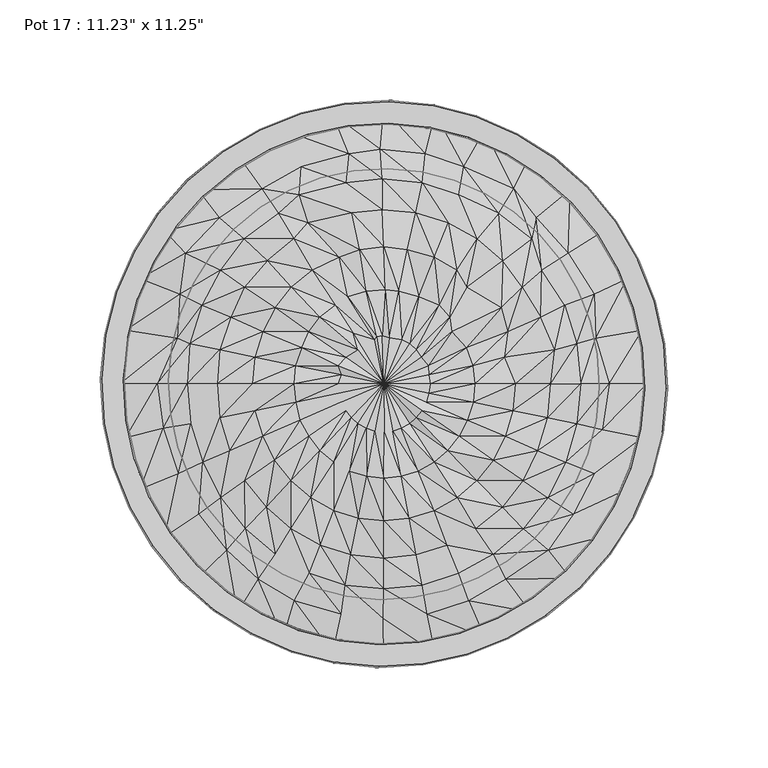
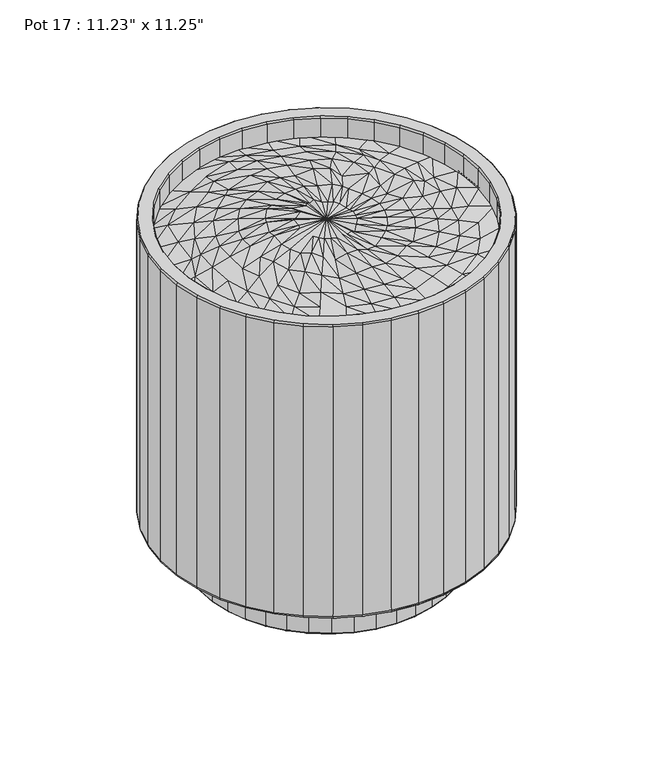
"""IFC4 building model written with IfcOpenShell, lengths in millimetres: furniture geometry."""

from ifc_helpers import new_model, si_unit, origin, place, context, project, spatial, triangles, source, transform, mapped, element, save


def furniture_1b6248bb(model_context):
    return source(origin(), model_context, "Body", "Tessellation", [
        triangles([(-51.0003572, -129.0409698, 281.8562333), (-50.016283, -126.5636046, 284.8939839), (-72.7103965, -113.9152215, 284.8939839), (-25.8934504, -136.9824, 281.8562333), (-74.1389975, -116.1447911, 281.8562333), (-25.3916982, -134.3524188, 284.8939839), (-44.5688957, -108.1888087, 289.591844), (-62.3691082, -97.3783585, 289.7388554), (0.2168417, -139.6638315, 281.8562333), (0.2168417, -136.982291, 284.8939839), (-21.1497537, -114.8458606, 289.4505554), (26.3270131, -136.9823546, 281.8562333), (25.8254994, -134.3523552, 284.8939839), (-0.1916885, -117.0936249, 289.3445117), (51.4339199, -129.0408971, 281.8562333), (50.4498503, -126.5635229, 284.8939839), (21.7645168, -114.8458152, 289.594987), (74.5726829, -116.1447003, 281.8562333), (42.4821362, -108.1887179, 291.3395389), (73.1439592, -113.9151125, 284.8939839), (-92.6016606, -96.893359, 284.8939839), (-94.4204358, -98.7894369, 281.8562333), (-77.9867187, -82.8299187, 289.4614014), (-36.9229325, -94.4617214, 292.933664), (-54.0356643, -85.024316, 292.7693753), (-19.0306902, -100.273249, 292.9381514), (0.2090931, -102.2355384, 293.007969), (19.3762769, -100.2732036, 292.9514681), (60.9048626, -97.3782676, 289.6422225), (37.3657947, -94.4616942, 294.4484334), (94.853994, -98.7893188, 281.8562333), (93.035464, -96.8931773, 284.8939839), (-108.9265362, -76.1521241, 284.8939839), (-111.0647959, -77.6419087, 281.8562333), (-92.1616529, -65.1025306, 289.4679235), (-68.8467016, -72.3236423, 290.6018477), (-31.4810272, -80.3494469, 294.3691323), (-46.2918283, -72.323606, 295.9199824), (-16.3515807, -85.2917416, 296.0094755), (0.123024, -86.9605986, 295.7776219), (16.19792, -85.2916961, 293.8714701), (82.1838372, -82.8298006, 291.5110037), (54.6219339, -85.0242252, 292.8858108), (111.4982361, -77.6417361, 281.8562333), (109.3600944, -76.1519606, 284.8939839), (-121.0566733, -52.4886475, 284.8939839), (-123.4327547, -53.5148249, 281.8562333), (-102.3072001, -44.8775387, 288.7408785), (-81.0947412, -56.8478246, 292.8887903), (-58.4852701, -61.5225574, 292.7301517), (-69.2472449, -48.3614285, 295.9067565), (69.5815086, -72.3235151, 292.4332948), (45.9704407, -72.3235151, 295.4514609), (31.8588021, -80.3494197, 295.1465195), (94.4701421, -65.1024125, 290.6835651), (81.8239481, -56.8476974, 292.9322106), (59.3987681, -61.5224757, 293.6654144), (123.8662039, -53.5146069, 281.8562333), (121.4903587, -52.4884749, 284.8939839), (-128.5265662, -26.8122192, 284.8939658), (-131.0486779, -27.3353159, 281.8562151), (-109.8076143, -22.2808416, 287.5346839), (-90.0393715, -39.1915349, 291.867341), (-76.6397715, -33.3460569, 297.1890183), (-46.1233838, -48.3614285, 299.6277503), (-54.4140342, -38.0207965, 298.2985436), (104.9965617, -44.8773661, 289.4525538), (90.8308021, -39.1914078, 292.9998118), (69.4885274, -48.3613377, 295.8370478), (131.4823633, -27.3351456, 281.8562333), (128.9601335, -26.8120012, 284.8939839), (-95.9609759, -20.0333748, 291.7437475), (-81.5178168, -17.0533956, 295.8753631), (109.0147485, -22.9319328, 289.6660037), (96.2232327, -20.0332408, 290.5855152), (76.8989308, -33.3459229, 295.9032865), (-131.0486779, -0.1096204, 284.8939658), (-133.6203778, -0.1096204, 281.8562151), (-112.7605409, -0.1095757, 289.4160735), (-97.6569661, -0.1095757, 292.8813961), (-82.7410252, -0.109531, 296.8645469), (112.3744271, -0.1094379, 291.4169688), (98.1608598, -0.1094379, 293.0944645), (81.8679317, -17.0532616, 293.4945309), (131.4823633, -0.1094379, 284.8939839), (134.053945, -0.1094379, 281.8562333), (-128.5268024, 26.5929762, 284.8939658), (-131.0486779, 27.1160774, 281.8562151), (-102.6634011, 22.7128646, 287.8697289), (-96.5543989, 19.8142157, 291.4130628), (-81.6389304, 16.8342922, 296.0480814), (105.7066928, 22.7130327, 289.1893613), (96.1981979, 19.814386, 290.9669962), (83.3040449, -0.1094379, 293.7478948), (128.9601335, 26.5931442, 284.8939839), (131.4823633, 27.1162886, 281.8562333), (-121.0567914, 52.2694158, 284.8939658), (-123.4327547, 53.2955478, 281.8562151), (-101.6032732, 44.6583479, 289.5823787), (-90.530993, 38.9724304, 292.5683338), (-76.0647067, 33.1269433, 293.2985036), (104.8769923, 44.6585205, 289.9620612), (90.3638611, 38.9725576, 292.9694358), (85.265753, 16.8344228, 297.2887397), (121.4903587, 52.2695884, 284.8939839), (123.8662039, 53.2957612, 281.8562333), (-81.347224, 56.6286837, 292.8522009), (-98.8223564, 64.8833942, 291.7021258), (-69.2940943, 48.1423603, 295.8619918), (91.954825, 64.8835169, 290.5466549), (78.7509707, 56.6288109, 293.7196262), (78.3681907, 33.1270704, 295.3554638), (109.3600944, 75.9331513, 284.8939839), (-108.9267724, 75.9329787, 284.8939658), (-111.0647959, 77.422727, 281.8562151), (-69.7076319, 72.1045877, 293.8687813), (-81.9069191, 82.6108187, 289.5459529), (-57.9296354, 61.3035028, 294.9510736), (76.0761522, 82.6109459, 288.7266897), (93.035464, 96.6743226, 284.8939658), (111.4982361, 77.4228905, 281.8562333), (-92.6018967, 96.6741954, 284.8939658), (-94.420672, 98.5703279, 281.8562151), (-60.6521391, 97.1593311, 289.5052395), (-52.4024973, 84.8052524, 293.6892501), (57.2900759, 84.8053886, 291.8208504), (73.7528792, 72.1046695, 290.929553), (64.772845, 97.1593675, 288.0947515), (37.4639037, 94.242794, 292.9295036), (46.6582758, 72.1046695, 297.0198426), (39.9067393, 107.9698813, 288.9878474), (59.4627858, 61.30363, 295.8488749), (69.1578381, 48.1424466, 295.6985025), (73.1438412, 113.6962396, 284.8939658), (94.853994, 98.570455, 281.8562151), (-72.7106327, 113.6961488, 284.8939658), (-74.1392383, 115.9257365, 281.8562151), (-41.1515216, 107.9698359, 289.5374868), (-42.2781698, 94.2427486, 294.2443216), (-18.929839, 100.0543125, 292.9384057), (-17.2220468, 114.6269241, 290.8037613), (-15.7116648, 85.0728051, 295.9806255), (-0.6562471, 86.7416531, 295.724155), (-0.5143881, 102.0166291, 293.2711252), (19.2319157, 100.0543579, 291.9745111), (20.7915316, 114.6269695, 287.8569935), (-1.5355349, 116.8747792, 290.0249026), (16.0777568, 85.0728051, 293.6895226), (32.3173997, 80.130565, 295.8578133), (50.4498503, 126.34465, 284.8939658), (74.5726829, 115.9258546, 281.8562151), (-50.0165237, 126.3445955, 284.8939658), (-51.000716, 128.8219515, 281.8562151), (-25.3919367, 134.1334733, 284.8939658), (0.2168417, 136.7634544, 284.8939658), (25.825261, 134.1335187, 284.8939658), (51.4339199, 128.8220242, 281.8562151), (-25.8936888, 136.7634272, 281.8562151), (0.2168417, 139.4449496, 281.8562151), (26.3270131, 136.7634544, 281.8562151), (-36.1628522, -56.8477428, 298.2759796), (-24.7985136, -63.153617, 295.5389374), (-12.6826765, -67.0367557, 298.2078515), (0.1736879, -68.3479175, 300.3720363), (12.896299, -67.0367557, 298.2839006), (25.2449503, -63.1535716, 298.3390027), (36.6109603, -56.8476974, 299.7362103), (-24.7724046, -39.1914532, 300.1561701), (-31.8483104, -33.3459683, 302.9291113), (-16.985297, -43.535038, 297.7654548), (-8.355975, -46.2097884, 301.918617), (0.1834631, -47.1129264, 302.8199973), (8.8040831, -46.2097884, 299.9129982), (17.4272055, -43.5350016, 297.8779661), (46.5185632, -48.3613377, 294.5247006), (25.2760644, -39.1914078, 300.0750159), (-60.1556305, -26.2232563, 300.5914996), (-37.3222836, -26.2232199, 300.0544866), (-41.6616194, -18.0969684, 300.2233716), (-12.791753, -20.033293, 301.1552915), (-16.0080198, -17.0532616, 301.2824095), (-8.6457727, -22.24762, 301.2471464), (-4.2676926, -23.611211, 301.2152261), (0.33319, -24.0715821, 302.8471214), (4.6379567, -23.6111655, 301.2629703), (8.8205338, -22.2475746, 301.4627945), (13.1397242, -20.0332408, 298.0372951), (31.997084, -33.3459229, 300.5531117), (54.6044114, -38.0207216, 298.3423455), (37.727832, -26.2231745, 298.6627293), (60.6733542, -26.2231745, 298.4352722), (-64.1556997, -13.4222174, 298.4105281), (-43.640255, -9.2794708, 300.0396801), (-21.3470459, -9.2793777, 301.3493385), (-22.3999023, -4.7842226, 301.2981789), (-18.8651083, -13.422172, 301.2742159), (0.0926256, -0.1094379, 302.6916621), (16.2980559, -17.0532616, 301.918617), (41.8308951, -18.0968866, 299.9660291), (19.4220544, -13.4221277, 304.5036155), (64.409377, -13.4221277, 295.8115407), (44.5863001, -9.2793403, 300.202915), (21.351338, -9.2793403, 301.2248912), (-65.2837741, -0.109531, 300.2407216), (-64.0583038, 13.2031549, 298.2911676), (-44.8259112, -0.10949, 302.6882648), (-43.9193259, 9.0604089, 300.1119504), (-22.7741004, -0.1094379, 302.0103629), (-21.1228136, 4.565291, 301.331171), (22.5448607, -4.7842226, 300.6749793), (45.548914, -0.1094379, 300.0401525), (23.161411, -0.1094379, 301.2411874), (65.7174594, -0.1094379, 298.32852), (-60.1172426, 26.0041926, 296.5075011), (-40.7000775, 17.8779399, 302.5214327), (-22.798538, 9.0604498, 304.0198696), (-18.8630814, 13.2032411, 301.6002861), (-12.8680463, 16.8343762, 303.2327265), (-37.244915, 26.0042335, 300.0720364), (-15.1194339, 25.0630868, 302.0105082), (-31.7651032, 33.1270296, 302.5976998), (22.2231144, 9.0604906, 299.1701111), (18.9231636, 13.2032411, 301.3645992), (22.6489309, 4.5653395, 299.9555464), (-3.316641, 23.3922677, 303.3521778), (-4.2880774, 22.0286767, 302.6549456), (2.8557776, 23.0123581, 304.6241386), (-0.5636215, 23.8527206, 302.3656282), (9.1356041, 22.0287199, 301.0857463), (16.2060262, 16.8343762, 301.9701582), (13.1328103, 19.8143452, 301.0350772), (32.9947475, 33.1270704, 300.2314925), (27.7568109, 38.9725576, 300.4356407), (34.0257892, 26.0042744, 301.8687291), (41.2020681, 17.8780262, 299.9233536), (44.3962817, 9.0604906, 300.0966352), (60.0764747, 13.2032411, 296.0733524), (61.8165711, 26.0042744, 294.8566934), (-53.9040544, 37.8017828, 298.2612276), (-23.9390139, 38.9725167, 299.6326374), (-46.0512634, 48.1424057, 298.2788319), (-17.922163, 43.3161106, 300.3343932), (-8.5911748, 45.9908973, 300.640461), (0.9390116, 46.8940308, 300.480478), (7.6857806, 45.9908973, 301.4597606), (17.6650282, 43.3161515, 300.0832458), (41.4162856, 48.1424875, 297.1871834), (36.6028553, 56.6288109, 301.3700313), (58.6652736, 37.8018691, 300.3473648), (-35.6162785, 56.62877, 297.7067193), (-22.0311884, 62.9346896, 296.9310944), (-11.8427274, 66.8178737, 299.694752), (0.1957417, 68.1290628, 298.4026434), (11.8035083, 66.8178737, 296.9686648), (25.3307826, 62.934735, 300.7746643), (-44.787764, 72.1045877, 295.8537982), (-37.6894464, 80.1305195, 293.4871912)], [[1, 2, 3], [1, 4, 2], [1, 3, 5], [2, 4, 6], [2, 6, 7], [2, 7, 8], [2, 8, 3], [4, 9, 6], [6, 9, 10], [6, 10, 11], [6, 11, 7], [9, 12, 10], [10, 13, 14], [10, 12, 13], [10, 14, 11], [13, 12, 15], [13, 16, 17], [13, 15, 16], [13, 17, 14], [16, 15, 18], [16, 19, 17], [16, 20, 19], [16, 18, 20], [5, 3, 21], [5, 21, 22], [3, 8, 23], [3, 23, 21], [7, 11, 24], [7, 24, 25], [7, 25, 8], [11, 14, 26], [11, 26, 24], [14, 17, 27], [14, 27, 26], [17, 19, 28], [17, 28, 27], [19, 20, 29], [19, 29, 30], [19, 30, 28], [20, 18, 31], [20, 32, 29], [20, 31, 32], [22, 21, 33], [22, 33, 34], [21, 23, 35], [21, 35, 33], [8, 36, 23], [8, 25, 36], [24, 26, 37], [24, 38, 25], [24, 37, 38], [26, 27, 39], [26, 39, 37], [27, 28, 40], [27, 40, 39], [28, 30, 41], [28, 41, 40], [29, 32, 42], [29, 43, 30], [29, 42, 43], [32, 31, 44], [32, 45, 42], [32, 44, 45], [34, 33, 46], [34, 46, 47], [33, 35, 48], [33, 48, 46], [23, 36, 49], [23, 49, 35], [36, 25, 50], [36, 50, 51], [36, 51, 49], [25, 38, 50], [43, 52, 53], [43, 42, 52], [43, 54, 30], [43, 53, 54], [52, 42, 55], [52, 56, 57], [52, 55, 56], [52, 57, 53], [42, 45, 55], [45, 44, 58], [45, 59, 55], [45, 58, 59], [47, 46, 60], [47, 60, 61], [46, 48, 62], [46, 62, 60], [35, 49, 63], [35, 63, 48], [49, 51, 64], [49, 64, 63], [50, 38, 65], [50, 66, 51], [50, 65, 66], [56, 55, 67], [56, 68, 69], [56, 67, 68], [56, 69, 57], [55, 59, 67], [59, 58, 70], [59, 71, 67], [59, 70, 71], [48, 63, 72], [48, 72, 62], [63, 64, 73], [63, 73, 72], [68, 67, 74], [68, 75, 76], [68, 74, 75], [68, 76, 69], [67, 71, 74], [61, 60, 77], [61, 77, 78], [60, 62, 79], [60, 79, 77], [62, 72, 80], [62, 80, 79], [72, 81, 80], [72, 73, 81], [75, 74, 82], [75, 83, 84], [75, 82, 83], [75, 84, 76], [74, 71, 85], [74, 85, 82], [71, 70, 86], [71, 86, 85], [78, 77, 87], [78, 87, 88], [77, 79, 89], [77, 89, 87], [79, 80, 90], [79, 90, 89], [80, 81, 91], [80, 91, 90], [83, 82, 92], [83, 93, 94], [83, 92, 93], [83, 94, 84], [82, 85, 95], [82, 95, 92], [85, 86, 96], [85, 96, 95], [88, 87, 97], [88, 97, 98], [87, 89, 99], [87, 99, 97], [89, 90, 100], [89, 100, 99], [90, 91, 101], [90, 101, 100], [93, 92, 102], [93, 103, 104], [93, 102, 103], [93, 104, 94], [92, 95, 105], [92, 105, 102], [95, 96, 106], [95, 106, 105], [99, 100, 107], [99, 108, 97], [99, 107, 108], [100, 101, 109], [100, 109, 107], [103, 102, 110], [103, 110, 111], [103, 112, 104], [103, 111, 112], [102, 105, 113], [102, 113, 110], [98, 97, 114], [98, 114, 115], [97, 108, 114], [108, 107, 116], [108, 117, 114], [108, 116, 117], [107, 109, 118], [107, 118, 116], [110, 119, 111], [110, 113, 120], [110, 120, 119], [105, 106, 121], [105, 121, 113], [115, 114, 122], [115, 122, 123], [114, 117, 122], [117, 124, 122], [117, 116, 125], [117, 125, 124], [126, 127, 128], [126, 129, 130], [126, 128, 131], [126, 131, 129], [126, 132, 127], [126, 130, 132], [127, 119, 128], [127, 133, 111], [127, 132, 133], [127, 111, 119], [119, 120, 134], [119, 134, 128], [113, 121, 135], [113, 135, 120], [123, 122, 136], [123, 136, 137], [122, 124, 136], [124, 138, 136], [124, 125, 139], [124, 139, 138], [140, 138, 139], [140, 141, 138], [140, 142, 143], [140, 143, 144], [140, 139, 142], [140, 144, 141], [145, 129, 146], [145, 147, 144], [145, 146, 147], [145, 148, 149], [145, 149, 129], [145, 144, 148], [129, 131, 146], [129, 149, 130], [128, 134, 150], [128, 150, 131], [120, 135, 151], [120, 151, 134], [137, 136, 152], [137, 152, 153], [136, 138, 152], [138, 141, 152], [141, 147, 154], [141, 154, 152], [141, 144, 147], [147, 146, 155], [147, 155, 154], [146, 131, 156], [146, 156, 155], [131, 150, 156], [134, 151, 157], [134, 157, 150], [153, 152, 154], [153, 154, 158], [158, 154, 155], [158, 155, 159], [159, 155, 156], [159, 156, 160], [156, 150, 160], [160, 150, 157], [30, 54, 41], [38, 37, 161], [38, 161, 65], [37, 39, 162], [37, 162, 161], [39, 40, 163], [39, 163, 162], [40, 41, 164], [40, 164, 163], [41, 54, 165], [41, 165, 164], [54, 53, 166], [54, 166, 165], [53, 167, 166], [53, 57, 167], [161, 162, 168], [161, 168, 169], [161, 169, 65], [162, 163, 170], [162, 170, 168], [163, 164, 171], [163, 171, 170], [164, 165, 172], [164, 172, 171], [165, 166, 173], [165, 173, 172], [166, 167, 174], [166, 174, 173], [167, 57, 175], [167, 176, 174], [167, 175, 176], [57, 69, 175], [51, 66, 177], [51, 177, 64], [66, 65, 178], [66, 179, 177], [66, 178, 179], [65, 169, 178], [168, 170, 180], [168, 180, 181], [168, 181, 169], [170, 171, 182], [170, 182, 180], [171, 172, 183], [171, 183, 182], [172, 173, 184], [172, 184, 183], [173, 174, 185], [173, 185, 184], [174, 176, 186], [174, 186, 185], [176, 187, 186], [176, 175, 188], [176, 188, 187], [175, 189, 188], [175, 69, 189], [189, 69, 76], [189, 190, 188], [189, 191, 190], [189, 76, 191], [64, 177, 192], [64, 192, 73], [177, 179, 193], [177, 193, 192], [179, 178, 194], [179, 195, 193], [179, 194, 195], [178, 169, 196], [178, 196, 194], [169, 181, 196], [180, 182, 197], [180, 197, 181], [182, 183, 197], [183, 184, 197], [184, 185, 197], [185, 186, 197], [186, 187, 197], [187, 188, 198], [187, 198, 197], [188, 190, 198], [190, 199, 200], [190, 191, 199], [190, 200, 198], [199, 191, 201], [199, 202, 203], [199, 201, 202], [199, 203, 200], [191, 76, 84], [191, 84, 201], [81, 73, 204], [81, 204, 205], [81, 205, 91], [73, 192, 204], [204, 192, 206], [204, 206, 207], [204, 207, 205], [192, 193, 206], [206, 193, 208], [206, 208, 209], [206, 209, 207], [193, 195, 208], [195, 194, 197], [195, 197, 208], [194, 196, 197], [196, 181, 197], [198, 200, 197], [200, 203, 197], [203, 210, 197], [203, 202, 210], [210, 202, 211], [210, 212, 197], [210, 211, 212], [202, 201, 213], [202, 213, 211], [201, 84, 94], [201, 94, 213], [91, 205, 214], [91, 214, 101], [205, 207, 215], [205, 215, 214], [207, 216, 215], [207, 209, 216], [216, 209, 197], [216, 217, 215], [216, 197, 217], [208, 197, 209], [217, 218, 219], [217, 197, 218], [217, 219, 215], [218, 197, 220], [218, 221, 219], [218, 220, 221], [197, 222, 223], [197, 224, 222], [197, 212, 224], [197, 225, 226], [197, 227, 228], [197, 229, 227], [197, 230, 231], [197, 223, 230], [197, 226, 220], [197, 228, 225], [197, 231, 229], [230, 223, 232], [230, 232, 233], [230, 233, 231], [223, 222, 234], [223, 234, 232], [222, 224, 235], [222, 235, 234], [224, 212, 236], [224, 236, 235], [212, 211, 236], [236, 211, 237], [236, 237, 238], [236, 238, 235], [211, 213, 237], [237, 213, 104], [237, 104, 112], [237, 112, 238], [213, 94, 104], [101, 214, 239], [101, 239, 109], [214, 215, 219], [214, 219, 239], [219, 221, 239], [221, 220, 240], [221, 241, 239], [221, 240, 241], [220, 226, 240], [226, 225, 242], [226, 242, 240], [225, 228, 243], [225, 243, 242], [228, 244, 243], [228, 227, 244], [227, 229, 245], [227, 245, 244], [229, 231, 246], [229, 246, 245], [231, 233, 246], [232, 247, 248], [232, 234, 247], [232, 248, 233], [234, 235, 249], [234, 249, 247], [235, 238, 249], [238, 112, 133], [238, 133, 249], [112, 111, 133], [109, 239, 241], [109, 241, 118], [241, 240, 250], [241, 250, 118], [240, 242, 250], [242, 243, 251], [242, 251, 250], [243, 244, 252], [243, 252, 251], [244, 245, 253], [244, 253, 252], [245, 246, 254], [245, 254, 253], [246, 233, 255], [246, 255, 254], [233, 248, 255], [247, 249, 132], [247, 132, 130], [247, 130, 248], [249, 133, 132], [118, 250, 256], [118, 256, 116], [250, 251, 256], [251, 252, 257], [251, 257, 256], [252, 253, 142], [252, 142, 257], [253, 254, 143], [253, 143, 142], [254, 255, 148], [254, 148, 143], [255, 248, 149], [255, 149, 148], [248, 130, 149], [116, 256, 125], [125, 256, 257], [125, 257, 139], [257, 142, 139], [143, 148, 144]], closed=False),
        triangles([(78.04966, 103.1655779, 253.949888), (78.04966, 103.1655779, 303.2478418), (60.9356156, 114.0699178, 253.9500515), (-56.466339, 116.1261513, 253.949888), (-37.5853784, 123.562407, 253.949888), (-37.5856169, 123.5624434, 303.2478418), (-56.466339, 116.1261967, 303.2478418), (-17.7735086, 127.9532636, 253.9498517), (-17.7735086, 127.9533181, 303.2477147), (42.326568, 122.1626832, 253.949888), (60.9356156, 114.0699178, 303.2479872), (42.326568, 122.1626832, 303.247751), (22.6805219, 127.2446496, 253.9498517), (2.4814605, 129.1909243, 253.9498517), (2.4814605, 129.1909243, 303.2477147), (22.6805219, 127.244695, 303.2477147), (-66.1197922, -124.8521085, 303.2248055), (-45.7888839, -133.6936836, 303.2249145), (-65.8478748, -124.340757, 304.9219039), (-84.4688448, -112.476483, 304.9219402), (-84.8170521, -112.9389821, 303.2249145), (-45.6004143, -133.1460154, 304.9218676), (-24.3256091, -139.2458338, 303.2248055), (-24.2246387, -138.6755107, 304.9219039), (-22.359014, -128.0969231, 304.9220492), (-42.1026945, -122.989595, 304.9219039), (-2.2577048, -141.3721121, 303.22486), (-2.2474528, -140.7930686, 304.9219039), (-2.0592212, -130.0528539, 304.9219402), (-22.2471954, -127.4633408, 303.2478418), (-41.8932459, -122.3813018, 303.2477147), (-2.0481348, -129.4095247, 303.247751), (19.8711163, -140.0199235, 303.2248055), (19.7906502, -139.4464211, 304.9218676), (18.2961227, -128.8090344, 304.9219766), (18.2068352, -128.1718731, 303.2477147), (38.2068158, -124.3962315, 304.9218676), (38.0185846, -123.780962, 303.2477147), (41.516066, -135.2227509, 303.2247691), (41.3467904, -134.6689148, 304.9219766), (61.8902448, -126.5780932, 304.9219766), (57.181834, -116.9230775, 304.9219039), (62.1440402, -127.0986919, 303.2248055), (81.2472119, -115.8475709, 303.2249145), (80.9149738, -115.3731631, 304.9219402), (74.7542398, -106.5736093, 304.9219039), (-101.0038821, -97.8453721, 304.9219402), (-101.4205173, -98.247664, 303.2248055), (-60.8042464, -114.8564976, 304.9219402), (-78.0035236, -103.8980186, 304.9219402), (-60.5024117, -114.2884818, 303.2478418), (-77.616338, -103.3842691, 303.2478418), (56.9000243, -116.3448425, 303.2477147), (74.3851671, -106.0465884, 303.247751), (98.3550521, -101.7467237, 303.2247691), (97.9526057, -101.330134, 304.9220492), (90.4911789, -93.6025715, 304.9218312), (-115.04722, -80.8076584, 304.9219402), (-115.5217913, -81.1398148, 303.2248055), (-93.2766194, -90.3838908, 304.9220492), (-92.8137297, -89.9370158, 303.2478418), (90.0443766, -93.139809, 303.2477147), (104.0054521, -78.3294939, 304.9219039), (103.491421, -77.9422719, 303.2478418), (113.0462884, -85.1432223, 303.22486), (112.5836349, -84.7946516, 304.9219766), (-126.2520593, -61.7829203, 304.9219402), (-126.7726398, -62.0367248, 303.2249145), (-106.2476663, -74.6468971, 304.9219039), (-105.7207544, -74.2779153, 303.2477147), (114.9638857, -61.1302939, 304.9220492), (114.3957336, -60.8282321, 303.2478418), (124.9594693, -66.4458261, 303.2247691), (124.4480633, -66.1739268, 304.9220492), (-134.3429081, -41.2394841, 304.9220492), (-134.8969895, -41.4087688, 303.2249145), (-116.5971799, -57.0745231, 304.9220492), (-116.0188904, -56.7925409, 303.247751), (123.0969467, -42.4286148, 304.9218676), (122.4886172, -42.2191481, 303.2479327), (133.8008627, -46.115054, 303.2247509), (133.2533398, -45.9264754, 304.9219402), (-123.45481, -37.9114305, 303.247751), (-124.0704065, -38.0995049, 304.9219402), (128.2042294, -22.6848867, 304.9220492), (127.5706289, -22.5731203, 303.2477147), (138.7829805, -24.5508179, 304.9219039), (139.3531583, -24.651475, 303.2248055), (-139.1204599, -19.683362, 304.9219039), (-139.6938533, -19.7639008, 303.22486), (-127.8460027, -18.0995311, 303.2478418), (-128.482937, -18.1889981, 304.9219402), (-140.4668076, 2.3547299, 304.9219039), (-141.046169, 2.3648926, 303.2247691), (-129.0837542, 2.1554232, 303.2478418), (-129.7268836, 2.1666103, 304.9219039), (130.1599785, -2.3852588, 304.9219402), (129.5168401, -2.3740269, 303.247751), (141.479373, -2.5835411, 303.2247691), (140.9002568, -2.5734232, 304.9220492), (-138.3495313, 24.3321744, 304.9219039), (-138.9198272, 24.4327474, 303.2247691), (-127.137425, 22.3545176, 303.2478418), (-127.7711436, 22.4662341, 304.9219039), (128.9163862, 17.9703534, 304.9219402), (128.2792067, 17.880883, 303.2478418), (140.1273025, 19.5452936, 303.2248055), (139.5536638, 19.4647094, 304.9219402), (-132.8201268, 45.707816, 304.9218676), (-133.3676588, 45.8964536, 303.2247691), (-122.0552952, 42.0004932, 303.2477147), (-122.6637337, 42.2100144, 304.9220492), (124.5034924, 37.8808569, 304.9219039), (123.8883773, 37.6928233, 303.2479872), (135.3300844, 41.1902047, 303.2247691), (134.7762302, 41.0208791, 304.9220492), (117.0305019, 56.8558365, 304.9219039), (116.4520943, 56.5738951, 303.2477147), (127.205971, 61.8181471, 303.2247691), (126.6854995, 61.56422, 304.9219039), (-124.0147322, 65.9552583, 304.9218676), (-124.5262653, 66.2271667, 303.2247691), (-114.5306818, 60.9117208, 304.9218676), (-113.9626478, 60.6095772, 303.2477147), (106.6808702, 74.428274, 304.9219402), (106.1539674, 74.0593013, 303.2477147), (-112.1503129, 84.5759695, 304.9218676), (-112.6130844, 84.9246128, 303.2249145), (-103.5721301, 78.1108845, 304.9218676), (-103.0583352, 77.7236715, 303.247751), (93.7099414, 90.165245, 304.9219039), (93.2471789, 89.71837, 303.2476602), (115.480424, 80.589049, 304.9219402), (115.9548772, 80.9212144, 303.2248055), (-97.5195199, 101.1115336, 304.9218676), (-97.9217301, 101.5281142, 303.2249145), (-89.6110546, 92.9211269, 303.2477147), (-90.0578478, 93.3840165, 304.9218676), (78.4368547, 103.6794183, 304.9219402), (101.4374494, 97.6267445, 304.9219039), (101.8542026, 98.0290727, 303.2248055), (-80.4814065, 115.1545536, 304.9219039), (-80.8138808, 115.6290977, 303.2249145), (-73.9519586, 105.8279881, 303.2478418), (-74.3207951, 106.3549635, 304.9219402), (-56.7485074, 116.7044226, 304.9218676), (-61.4570363, 126.3594928, 304.9219039), (61.2378137, 114.6379427, 304.9220492), (84.9019307, 112.2578736, 304.9219766), (85.2505013, 112.720418, 303.2247146), (-61.7107136, 126.8800188, 303.2249145), (-37.7734892, 124.177622, 304.9219039), (-40.9134638, 134.450378, 304.9219402), (-17.8630358, 128.5904068, 304.9218312), (-19.357444, 139.2279116, 304.9218676), (42.5361391, 122.7709855, 304.9219039), (22.7920999, 127.8783046, 304.9218676), (66.2813195, 124.1221476, 304.9219039), (46.0338589, 132.9273695, 304.9219402), (46.2225693, 133.4749742, 303.2249508), (66.5531143, 124.6334626, 303.2247146), (-41.0827394, 135.0042413, 303.2249145), (-19.4380282, 139.8014412, 303.2248055), (2.6807786, 140.5744228, 304.9219039), (2.6910305, 141.1536025, 303.2249145), (2.4929046, 129.8342353, 304.9218676), (24.6582037, 138.4569376, 304.9219402), (24.7588153, 139.0272697, 303.2248055), (-50.1962911, -94.908551, 1.1028312), (-34.4460011, -100.7576853, 0.0003416), (-34.7454537, -101.6277357, 1.1028741), (-49.7642771, -94.0960643, 0.0002989), (-64.4055619, -85.8551247, 1.102746), (-34.7454537, -101.6277357, 37.3019769), (-50.1962911, -94.908551, 37.3019314), (-18.2744262, -104.9409782, 0.0003844), (15.0251389, -105.5242457, 0.0004271), (-63.8517121, -85.1202495, 0.0002135), (-76.3614182, -74.0511577, 0.0002135), (-95.4626778, -46.7682845, 0.0001281), (-18.4344058, -105.8472274, 1.1028741), (-18.4344058, -105.847182, 37.3019769), (-1.6635656, -107.4630354, 1.1028741), (-1.6635656, -107.46299, 37.3019769), (-1.6475916, -106.5429426, 0.0003844), (15.1531698, -106.4354909, 1.1029167), (15.1531698, -106.4354909, 37.3020177), (31.3334458, -101.9098497, 0.0002562), (46.8753592, -95.7887026, 0.0002562), (74.1583096, -76.6874975, 0.0002562), (105.0481755, -18.6005532, 0.0002135), (31.6023815, -102.7898832, 1.1027886), (31.6023815, -102.7898468, 37.3018497), (47.2787639, -96.6158505, 1.1027886), (47.2787639, -96.6158505, 37.3018497), (61.2686894, -87.3117309, 0.0002989), (61.7963098, -88.0655185, 1.1028312), (61.7963098, -88.0655185, 37.3018906), (-77.0232692, -74.6903174, 1.102746), (-64.4055619, -85.8551247, 37.3018497), (74.7975102, -77.3494847, 1.1027886), (74.7975102, -77.3494847, 37.3018497), (94.2032343, -50.0902747, 0.0002562), (85.2273741, -64.1776824, 0.0002135), (85.9622947, -64.7315367, 1.102746), (85.9622947, -64.7315367, 37.3018497), (-87.7395845, -61.6891443, 1.1027032), (-96.2896349, -47.1716392, 1.1026605), (-86.9857061, -61.1613831, 0.0001708), (-77.0232692, -74.6903174, 37.3018043), (-87.7395845, -61.6891034, 37.3017634), (95.0157665, -50.5223704, 1.1027886), (95.0157665, -50.5223204, 37.3018906), (-96.2896349, -47.1715938, 37.3017634), (-102.463604, -31.4952433, 1.1026177), (-101.5835978, -31.2262394, 8.54e-05), (-105.1981482, -14.9181335, 0.0002135), (-104.6149716, 18.3816065, 0.0001708), (-73.7251056, 76.4685883, 0.0001281), (50.1974811, 93.8771823, 4.27e-05), (100.8647645, -34.7721803, 0.0002135), (101.7349966, -35.0718055, 1.102746), (101.7349966, -35.0718055, 37.3018497), (-106.1093844, -15.0461235, 1.102746), (-102.463604, -31.4952433, 37.3017225), (105.9544066, -18.7603976, 1.102746), (105.9544066, -18.7603976, 37.3018497), (-107.1370833, 1.7708131, 1.1026605), (-106.1093844, -15.0461235, 37.3018043), (-106.2166725, 1.7547161, 0.0001708), (106.6501127, -1.9736625, 0.0001281), (105.6314703, 14.6991834, 0.0001708), (95.8960089, 46.5493344, 0.0002135), (107.5701691, -1.9897632, 1.1026605), (107.5701691, -1.9897632, 37.3017225), (-107.1370833, 1.7708131, 37.3017634), (-105.5209665, 18.5414566, 1.1027032), (106.5427064, 14.8272143, 1.1027032), (106.5427064, 14.8272143, 37.3018043), (-101.3015474, 34.8528962, 1.1026605), (-105.5209665, 18.5414963, 37.3018043), (-100.4315605, 34.5532756, 0.0001281), (-93.7700304, 49.87132, 8.54e-05), (102.0171651, 31.0073801, 8.54e-05), (102.8970441, 31.2763817, 1.1026177), (102.8970441, 31.2763817, 37.3017225), (-101.3015474, 34.8528962, 37.3017634), (-94.5824354, 50.3033794, 1.1025751), (96.7230841, 46.9526482, 1.102746), (96.7230841, 46.9526482, 37.3018043), (-85.5289727, 64.5125729, 1.1026605), (-94.5824354, 50.3034203, 37.3016748), (-84.7941611, 63.9587278, 0.0001281), (87.4189101, 60.9424647, 8.54e-05), (76.7948583, 73.8322348, 0.0001708), (88.1727975, 61.4702623, 1.1026177), (88.1727975, 61.4702623, 37.3017225), (-85.5289727, 64.5125729, 37.3017225), (-74.3641836, 77.1305755, 1.1026605), (64.2848025, 84.9013312, 4.27e-05), (77.4567093, 74.4714127, 1.1027032), (64.8387658, 85.6362154, 1.1025751), (64.8387658, 85.6362154, 37.3016339), (77.4567093, 74.4714127, 37.3018043), (-74.3641836, 77.1305755, 37.3017634), (-61.3629832, 87.8466183, 1.1025751), (-60.8351221, 87.0927763, 4.27e-05), (-46.4420326, 95.5698206, 8.54e-05), (-14.592052, 105.3053546, 0.0001281), (-61.3629832, 87.8466183, 37.3016339), (-46.8455554, 96.3969049, 1.1026177), (50.6296177, 94.6896508, 1.1025324), (50.6296177, 94.6896508, 37.3016339), (-31.1690572, 102.5709921, 1.1025324), (-46.8455554, 96.3969049, 37.3017225), (-30.9001215, 101.6909586, 4.27e-05), (-14.7199636, 106.216609, 1.1026605), (-31.1690572, 102.5709921, 37.3016339), (2.0968914, 107.2441443, 1.1025751), (-14.7199636, 106.216609, 37.3017634), (2.0807981, 106.3240515, 4.27e-05), (18.7077528, 104.7220781, 0.0), (18.867612, 105.6282909, 1.1025324), (2.0968914, 107.2441443, 37.3016339), (35.179139, 101.4088356, 1.1025751), (34.8795661, 100.5387578, 4.27e-05), (18.867612, 105.6282909, 37.3016339), (35.179139, 101.4087901, 37.3016339), (-66.1197922, -124.852272, 40.1015448), (-45.7888839, -133.6938017, 40.1013767), (-84.8170521, -112.939191, 40.101463), (-84.4688448, -112.4766465, 38.4043828), (-65.8478748, -124.3409205, 38.4044236), (-45.6004143, -133.146197, 38.4044691), (-24.3256091, -139.2460609, 40.1015448), (-24.2246387, -138.6756742, 38.4044691), (-50.6268744, -95.7185034, 38.4044691), (-35.044552, -102.4951337, 38.4044691), (-2.2577048, -141.3722756, 40.1015039), (-18.5934304, -106.7506243, 38.4044691), (-2.2474528, -140.7931412, 38.4044691), (19.8711163, -140.0201325, 40.1015448), (-1.6796589, -108.3802396, 38.4044691), (19.7906502, -139.4466028, 38.4045508), (15.280843, -107.3439293, 38.4045508), (41.3465497, -134.6691237, 38.4043828), (41.516066, -135.2229689, 40.1015902), (31.8706042, -103.667137, 38.4043828), (61.8902448, -126.5782749, 38.4043828), (62.1439221, -127.09881, 40.1015902), (47.6807333, -97.4403641, 38.4043828), (80.9149738, -115.3733266, 38.4044236), (81.2472119, -115.8477798, 40.1014176), (-101.4205173, -98.2478276, 40.1013767), (-101.0038821, -97.8455084, 38.4042919), (-77.6832125, -75.3275741, 38.4043373), (-64.9577402, -86.587738, 38.4043828), (62.3223769, -88.8170169, 38.4044236), (97.9526057, -101.3302975, 38.4043828), (98.3550521, -101.7468872, 40.1015902), (-115.5217913, -81.1399964, 40.1014176), (-115.04722, -80.8078219, 38.4042511), (-88.491083, -62.2152749, 38.4042919), (75.4348032, -78.0094099, 38.4043828), (112.583753, -84.7947879, 38.4043373), (113.0462884, -85.1433404, 40.101463), (-126.7726398, -62.0368883, 40.1012905), (-126.2520593, -61.7830521, 38.4042511), (-97.1143212, -47.5737177, 38.4042511), (86.6949535, -65.2836878, 38.4043828), (124.4480633, -66.1740903, 38.4043828), (124.9595874, -66.4459987, 40.1015902), (-134.8967533, -41.4089414, 40.1013359), (-134.3429081, -41.2396112, 38.4042102), (-103.340867, -31.7633887, 38.4042102), (95.8256734, -50.9530536, 38.4043828), (133.2532127, -45.9266389, 38.4043828), (133.8009808, -46.1151812, 40.1015902), (102.6022402, -35.3705291, 38.4043828), (138.7827353, -24.5509973, 38.4043373), (139.3531583, -24.6516089, 40.1014176), (-139.6938533, -19.7640734, 40.1013359), (-139.1204599, -19.6835324, 38.4042919), (-107.0179954, -15.1737263, 38.4043373), (106.8577762, -18.9197356, 38.4043373), (-141.046169, 2.3647211, 40.1014176), (-140.4668076, 2.3545549, 38.4042919), (-108.0541603, 1.786869, 38.4043373), (108.4873642, -2.005864, 38.4042511), (140.9003749, -2.5735907, 38.4042102), (141.479373, -2.5837123, 40.1014176), (-138.9198272, 24.4326179, 40.1013767), (-138.3495313, 24.3320472, 38.4043373), (-106.4245723, 18.7008344, 38.4043373), (107.4511993, 14.9548182, 38.4043373), (139.5536638, 19.4645823, 38.4042919), (140.1273025, 19.5451256, 40.1013767), (-133.3676588, 45.896281, 40.1012496), (-132.8201268, 45.7076479, 38.4042102), (-102.1688001, 35.1516221, 38.4042511), (103.7743071, 31.5445294, 38.4042102), (134.7763573, 41.0207065, 38.4042102), (135.3300844, 41.1900321, 40.1013767), (-95.3923423, 50.7341489, 38.4042102), (97.5476523, 47.354763, 38.4043373), (126.6853814, 61.5640474, 38.4042919), (127.205971, 61.8179745, 40.101463), (-124.5262653, 66.2269986, 40.1012496), (-124.0147322, 65.9550857, 38.4042102), (-86.2617496, 65.0647149, 38.4042511), (88.9242869, 61.996402, 38.4042102), (115.4806601, 80.5889218, 38.4042102), (-112.6130844, 84.9244039, 40.1012042), (-112.1503129, 84.5757969, 38.4042511), (-75.0014767, 77.7905007, 38.4042511), (78.1166526, 75.1086785, 38.4043373), (101.4374494, 97.6265628, 38.4043373), (115.9549953, 80.9210418, 40.1013767), (-97.9217301, 101.5278962, 40.1011224), (-97.5190385, 101.1113065, 38.4042102), (-61.8888141, 88.5981168, 38.4041648), (-80.4814065, 115.1543447, 38.4041239), (-47.2475294, 97.221464, 38.4042102), (65.3909441, 86.3688288, 38.4041648), (51.060319, 95.4996214, 38.4041239), (66.2813195, 124.1219386, 38.4041239), (84.9019307, 112.257701, 38.4041239), (101.8542026, 98.0288638, 40.1013767), (-80.8138808, 115.6289251, 40.1011224), (-61.4568002, 126.3592839, 38.4041648), (-31.4372776, 103.4482914, 38.4041239), (-14.8475165, 107.1250473, 38.4042511), (-40.9134638, 134.4502145, 38.4041239), (2.1129846, 108.1614212, 38.4041648), (-19.357444, 139.2276845, 38.4042102), (19.0269943, 106.5317333, 38.4041239), (35.4777582, 102.2761881, 38.4041648), (2.6807786, 140.5742956, 38.4041239), (24.6582037, 138.4567286, 38.4041239), (46.0338589, 132.9272424, 38.4041648), (85.2505013, 112.7202545, 40.1013359), (-61.7107136, 126.8799007, 40.1011633), (46.2225693, 133.4748289, 40.1011224), (66.5531143, 124.6332901, 40.1013767), (-41.0827394, 135.0040142, 40.1011224), (-19.4380282, 139.8012323, 40.1012496), (2.6910305, 141.1533845, 40.1011224), (24.7588153, 139.0271153, 40.1012042), (-22.2471954, -127.4634044, 253.9499425), (-41.8932459, -122.381329, 253.9498517), (-2.0481348, -129.4095792, 253.949888), (18.2068352, -128.1719185, 253.9497972), (38.0185846, -123.780962, 253.9498517), (-60.5024117, -114.2884818, 253.949888), (-77.616338, -103.3842691, 253.9499425), (56.8997882, -116.3448425, 253.9497972), (74.3851671, -106.0465884, 253.949888), (-92.8139659, -89.9370158, 253.949888), (90.0443766, -93.139809, 253.9498517), (103.491421, -77.9423173, 253.9499425), (-105.7207544, -74.2779153, 253.9498517), (114.3957336, -60.8282775, 253.9499425), (-116.0188904, -56.7925409, 253.949888), (122.4886172, -42.2191481, 253.9500515), (-123.45481, -37.9114305, 253.949888), (127.5706289, -22.5731657, 253.9497608), (-127.8460027, -18.0995765, 253.9499425), (-129.0837542, 2.1554232, 253.949888), (129.5168401, -2.3740269, 253.949888), (-127.137425, 22.3544744, 253.949888), (128.2792067, 17.880883, 253.949888), (-122.0552952, 42.0004932, 253.9498517), (123.8883773, 37.6928233, 253.9500515), (116.4520943, 56.5738542, 253.949888), (-113.9626478, 60.6095363, 253.949888), (106.1538493, 74.0592559, 253.9498517), (-103.0583352, 77.7236261, 253.949888), (93.2471789, 89.71837, 253.9497608), (-89.6110546, 92.9211269, 253.949888), (-73.9519586, 105.8279335, 253.949888)], [[1, 2, 3], [4, 5, 6], [4, 6, 7], [5, 8, 9], [5, 9, 6], [10, 3, 11], [10, 12, 13], [10, 11, 12], [3, 2, 11], [8, 14, 15], [8, 15, 9], [14, 13, 16], [14, 16, 15], [13, 12, 16], [17, 18, 19], [17, 20, 21], [17, 19, 20], [18, 22, 19], [18, 23, 22], [22, 24, 25], [22, 25, 26], [22, 26, 19], [22, 23, 24], [23, 27, 24], [24, 27, 28], [24, 28, 29], [24, 29, 25], [25, 29, 30], [25, 30, 31], [25, 31, 26], [30, 29, 32], [27, 33, 28], [28, 33, 34], [28, 35, 29], [28, 34, 35], [29, 35, 32], [32, 35, 36], [36, 35, 37], [36, 37, 38], [35, 34, 37], [34, 39, 40], [34, 40, 37], [34, 33, 39], [40, 41, 42], [40, 42, 37], [40, 39, 43], [40, 43, 41], [41, 43, 44], [41, 45, 46], [41, 46, 42], [41, 44, 45], [21, 20, 47], [21, 47, 48], [20, 19, 49], [20, 49, 50], [20, 50, 47], [19, 26, 49], [49, 51, 52], [49, 26, 51], [49, 52, 50], [51, 26, 31], [38, 37, 42], [38, 42, 53], [53, 42, 46], [53, 46, 54], [45, 44, 55], [45, 55, 56], [45, 57, 46], [45, 56, 57], [48, 47, 58], [48, 58, 59], [47, 50, 60], [47, 60, 58], [50, 52, 61], [50, 61, 60], [54, 46, 57], [54, 57, 62], [62, 57, 63], [62, 63, 64], [57, 56, 63], [56, 55, 65], [56, 65, 66], [56, 66, 63], [59, 58, 67], [59, 67, 68], [58, 60, 69], [58, 69, 67], [60, 70, 69], [60, 61, 70], [64, 63, 71], [64, 71, 72], [63, 66, 71], [66, 65, 73], [66, 74, 71], [66, 73, 74], [68, 67, 75], [68, 75, 76], [67, 69, 77], [67, 77, 75], [69, 78, 77], [69, 70, 78], [72, 71, 79], [72, 79, 80], [71, 74, 79], [74, 81, 82], [74, 82, 79], [74, 73, 81], [77, 78, 83], [77, 84, 75], [77, 83, 84], [80, 79, 85], [80, 85, 86], [79, 82, 85], [82, 87, 85], [82, 88, 87], [82, 81, 88], [76, 75, 89], [76, 89, 90], [75, 84, 89], [84, 83, 91], [84, 91, 92], [84, 92, 89], [90, 89, 93], [90, 93, 94], [89, 92, 93], [92, 95, 96], [92, 96, 93], [92, 91, 95], [86, 85, 97], [86, 97, 98], [85, 87, 97], [87, 88, 99], [87, 99, 100], [87, 100, 97], [94, 93, 101], [94, 101, 102], [93, 96, 101], [96, 95, 103], [96, 104, 101], [96, 103, 104], [98, 97, 105], [98, 105, 106], [97, 100, 105], [100, 107, 108], [100, 99, 107], [100, 108, 105], [102, 101, 109], [102, 109, 110], [101, 104, 109], [104, 103, 111], [104, 111, 112], [104, 112, 109], [106, 105, 113], [106, 113, 114], [105, 108, 113], [108, 115, 116], [108, 107, 115], [108, 116, 113], [114, 113, 117], [114, 117, 118], [113, 116, 117], [116, 115, 119], [116, 119, 120], [116, 120, 117], [110, 109, 121], [110, 121, 122], [109, 112, 121], [112, 123, 121], [112, 111, 124], [112, 124, 123], [118, 117, 125], [118, 125, 126], [117, 120, 125], [122, 121, 127], [122, 127, 128], [121, 123, 127], [123, 129, 127], [123, 124, 130], [123, 130, 129], [126, 125, 131], [126, 131, 132], [125, 120, 133], [125, 133, 131], [120, 119, 134], [120, 134, 133], [128, 127, 135], [128, 135, 136], [127, 129, 135], [129, 130, 137], [129, 137, 138], [129, 138, 135], [132, 131, 139], [132, 139, 2], [131, 133, 140], [131, 140, 139], [133, 134, 141], [133, 141, 140], [136, 135, 142], [136, 142, 143], [135, 138, 142], [138, 137, 144], [138, 145, 142], [138, 144, 145], [145, 7, 146], [145, 146, 147], [145, 147, 142], [145, 144, 7], [2, 139, 148], [2, 148, 11], [139, 140, 149], [139, 149, 148], [140, 141, 150], [140, 150, 149], [143, 142, 147], [143, 147, 151], [146, 7, 6], [146, 6, 152], [146, 152, 153], [146, 153, 147], [152, 6, 9], [152, 9, 154], [152, 155, 153], [152, 154, 155], [12, 156, 157], [12, 11, 156], [12, 157, 16], [156, 148, 158], [156, 158, 159], [156, 159, 157], [156, 11, 148], [148, 149, 158], [158, 160, 159], [158, 161, 160], [158, 149, 161], [149, 150, 161], [151, 147, 153], [151, 153, 162], [162, 153, 155], [162, 155, 163], [163, 155, 164], [163, 164, 165], [155, 154, 164], [154, 15, 166], [154, 9, 15], [154, 166, 164], [15, 16, 166], [166, 157, 167], [166, 167, 164], [166, 16, 157], [164, 167, 165], [165, 167, 168], [157, 159, 167], [167, 159, 168], [168, 159, 160], [169, 170, 171], [169, 172, 170], [169, 173, 172], [169, 171, 174], [169, 175, 173], [169, 174, 175], [172, 176, 170], [172, 177, 176], [172, 178, 179], [172, 179, 180], [172, 180, 177], [172, 173, 178], [171, 170, 176], [171, 181, 182], [171, 182, 174], [171, 176, 181], [181, 183, 184], [181, 184, 182], [181, 176, 185], [181, 185, 183], [176, 177, 185], [183, 186, 187], [183, 187, 184], [183, 185, 177], [183, 177, 186], [177, 188, 186], [177, 189, 188], [177, 190, 189], [177, 180, 191], [177, 191, 190], [186, 192, 193], [186, 193, 187], [186, 188, 192], [188, 189, 192], [192, 194, 195], [192, 195, 193], [192, 189, 194], [189, 196, 194], [189, 190, 196], [194, 196, 197], [194, 197, 198], [194, 198, 195], [173, 199, 178], [173, 175, 200], [173, 200, 199], [178, 199, 179], [196, 190, 197], [197, 190, 201], [197, 201, 202], [197, 202, 198], [190, 203, 204], [190, 191, 203], [190, 204, 201], [201, 205, 206], [201, 206, 202], [201, 204, 205], [207, 208, 209], [207, 199, 210], [207, 211, 208], [207, 210, 211], [207, 179, 199], [207, 209, 179], [209, 208, 180], [209, 180, 179], [199, 200, 210], [204, 203, 205], [205, 203, 212], [205, 212, 213], [205, 213, 206], [208, 211, 214], [208, 214, 215], [208, 215, 180], [180, 215, 216], [180, 216, 217], [180, 217, 218], [180, 218, 219], [180, 219, 220], [180, 220, 191], [203, 221, 212], [203, 191, 221], [212, 222, 223], [212, 223, 213], [212, 221, 222], [215, 224, 216], [215, 214, 225], [215, 225, 224], [216, 224, 217], [221, 191, 222], [222, 191, 226], [222, 226, 227], [222, 227, 223], [224, 228, 217], [224, 225, 229], [224, 229, 228], [217, 228, 230], [217, 230, 218], [191, 231, 226], [191, 232, 231], [191, 233, 232], [191, 220, 233], [226, 231, 234], [226, 234, 235], [226, 235, 227], [228, 229, 236], [228, 236, 237], [228, 237, 230], [230, 237, 218], [231, 232, 234], [234, 238, 239], [234, 239, 235], [234, 232, 238], [237, 240, 218], [237, 236, 241], [237, 241, 240], [218, 242, 243], [218, 243, 219], [218, 240, 242], [232, 233, 244], [232, 244, 238], [238, 245, 246], [238, 246, 239], [238, 244, 245], [240, 241, 247], [240, 247, 248], [240, 248, 242], [242, 248, 243], [244, 233, 245], [245, 249, 250], [245, 250, 246], [245, 233, 249], [248, 251, 243], [248, 247, 252], [248, 252, 251], [243, 251, 253], [243, 253, 219], [233, 254, 249], [233, 255, 254], [233, 220, 255], [249, 254, 256], [249, 256, 257], [249, 257, 250], [251, 252, 258], [251, 258, 259], [251, 259, 253], [253, 259, 219], [255, 220, 260], [255, 256, 254], [255, 260, 261], [255, 261, 256], [261, 262, 263], [261, 264, 256], [261, 263, 264], [261, 260, 262], [256, 264, 257], [259, 258, 265], [259, 265, 266], [259, 266, 219], [219, 267, 268], [219, 268, 269], [219, 269, 220], [219, 266, 267], [266, 265, 270], [266, 270, 271], [266, 271, 267], [267, 271, 268], [260, 220, 262], [262, 272, 273], [262, 273, 263], [262, 220, 272], [271, 274, 268], [271, 270, 275], [271, 275, 274], [268, 274, 276], [268, 276, 269], [274, 277, 276], [274, 275, 278], [274, 278, 277], [276, 277, 269], [277, 279, 269], [277, 278, 280], [277, 280, 279], [269, 279, 281], [269, 281, 282], [269, 282, 220], [281, 283, 282], [281, 279, 283], [279, 280, 284], [279, 284, 283], [282, 285, 286], [282, 286, 220], [282, 283, 285], [283, 284, 287], [283, 287, 285], [286, 285, 272], [286, 272, 220], [285, 287, 288], [285, 288, 272], [272, 288, 273], [289, 290, 18], [289, 291, 292], [289, 292, 293], [289, 293, 290], [289, 17, 291], [289, 18, 17], [290, 294, 295], [290, 295, 18], [290, 293, 294], [294, 296, 295], [294, 293, 297], [294, 297, 298], [294, 298, 296], [295, 296, 299], [295, 299, 23], [295, 23, 18], [296, 298, 300], [296, 300, 301], [296, 301, 299], [299, 301, 302], [299, 302, 33], [299, 27, 23], [299, 33, 27], [301, 303, 304], [301, 300, 303], [301, 304, 302], [304, 305, 306], [304, 303, 305], [304, 306, 307], [304, 307, 302], [302, 307, 39], [302, 39, 33], [306, 305, 308], [306, 308, 309], [306, 309, 310], [306, 310, 307], [307, 310, 43], [307, 43, 39], [309, 308, 311], [309, 311, 312], [309, 312, 313], [309, 313, 310], [310, 313, 44], [310, 44, 43], [291, 314, 315], [291, 315, 292], [291, 17, 21], [291, 21, 314], [292, 315, 316], [292, 316, 317], [292, 317, 293], [293, 317, 297], [303, 184, 187], [303, 187, 305], [303, 300, 184], [312, 311, 318], [312, 318, 319], [312, 319, 320], [312, 320, 313], [313, 320, 55], [313, 55, 44], [314, 321, 322], [314, 322, 315], [314, 21, 48], [314, 48, 59], [314, 59, 321], [315, 322, 323], [315, 323, 316], [297, 317, 175], [297, 174, 298], [297, 175, 174], [175, 317, 200], [298, 174, 182], [298, 182, 300], [300, 182, 184], [187, 193, 305], [305, 193, 308], [193, 195, 308], [308, 195, 311], [195, 198, 311], [311, 198, 318], [319, 318, 324], [319, 324, 325], [319, 325, 326], [319, 326, 320], [320, 326, 55], [321, 327, 328], [321, 328, 322], [321, 59, 327], [322, 328, 329], [322, 329, 323], [316, 210, 200], [316, 200, 317], [316, 323, 210], [198, 202, 318], [318, 202, 324], [202, 206, 324], [324, 330, 325], [324, 206, 330], [325, 330, 331], [325, 331, 332], [325, 332, 326], [326, 332, 73], [326, 65, 55], [326, 73, 65], [327, 333, 334], [327, 334, 328], [327, 59, 68], [327, 68, 333], [328, 334, 335], [328, 335, 329], [323, 329, 211], [323, 211, 210], [211, 329, 214], [206, 213, 330], [330, 336, 331], [330, 213, 336], [331, 336, 337], [331, 337, 338], [331, 338, 332], [332, 338, 81], [332, 81, 73], [329, 335, 214], [214, 335, 225], [213, 223, 336], [336, 223, 339], [336, 339, 337], [337, 339, 340], [337, 340, 341], [337, 341, 338], [338, 341, 81], [333, 342, 343], [333, 343, 334], [333, 68, 76], [333, 76, 90], [333, 90, 342], [334, 343, 344], [334, 344, 335], [335, 344, 225], [225, 344, 229], [223, 227, 339], [339, 345, 340], [339, 227, 345], [342, 346, 347], [342, 347, 343], [342, 90, 94], [342, 94, 346], [343, 347, 348], [343, 348, 344], [344, 348, 229], [229, 348, 236], [227, 235, 345], [345, 349, 350], [345, 350, 340], [345, 235, 349], [340, 350, 351], [340, 351, 341], [341, 351, 88], [341, 88, 81], [346, 352, 353], [346, 353, 347], [346, 94, 102], [346, 102, 352], [347, 353, 354], [347, 354, 348], [348, 354, 236], [236, 354, 241], [235, 239, 349], [349, 239, 355], [349, 355, 356], [349, 356, 350], [350, 356, 357], [350, 357, 351], [351, 357, 107], [351, 107, 99], [351, 99, 88], [352, 358, 359], [352, 359, 353], [352, 102, 110], [352, 110, 358], [353, 360, 354], [353, 359, 360], [354, 360, 241], [241, 360, 247], [239, 246, 355], [355, 361, 362], [355, 362, 356], [355, 246, 361], [356, 362, 363], [356, 363, 357], [357, 363, 107], [360, 364, 247], [360, 359, 364], [247, 364, 252], [246, 250, 361], [361, 365, 366], [361, 366, 362], [361, 250, 365], [362, 366, 367], [362, 367, 363], [363, 367, 115], [363, 115, 107], [358, 368, 369], [358, 369, 359], [358, 110, 368], [359, 369, 364], [364, 369, 370], [364, 370, 252], [252, 370, 258], [250, 257, 365], [365, 257, 371], [365, 371, 372], [365, 372, 366], [368, 373, 374], [368, 374, 369], [368, 110, 122], [368, 122, 128], [368, 128, 373], [369, 374, 370], [370, 375, 258], [370, 374, 375], [258, 375, 265], [264, 371, 257], [264, 263, 376], [264, 376, 371], [371, 376, 377], [371, 377, 372], [366, 372, 378], [366, 378, 367], [367, 378, 134], [367, 119, 115], [367, 134, 119], [373, 379, 380], [373, 380, 374], [373, 128, 379], [374, 380, 375], [375, 380, 381], [375, 381, 265], [265, 381, 270], [381, 380, 382], [381, 382, 383], [381, 383, 270], [270, 383, 275], [263, 273, 384], [263, 384, 376], [384, 385, 386], [384, 386, 387], [384, 387, 376], [384, 273, 385], [376, 387, 377], [372, 377, 388], [372, 388, 378], [378, 388, 134], [379, 389, 382], [379, 382, 380], [379, 128, 136], [379, 136, 143], [379, 143, 389], [383, 382, 390], [383, 390, 391], [383, 391, 275], [275, 391, 278], [391, 392, 278], [391, 390, 393], [391, 393, 392], [278, 392, 280], [392, 394, 280], [392, 393, 395], [392, 395, 394], [280, 394, 284], [284, 396, 287], [284, 394, 396], [287, 397, 288], [287, 396, 397], [396, 394, 398], [396, 398, 399], [396, 399, 397], [288, 397, 385], [288, 385, 273], [397, 399, 400], [397, 400, 385], [385, 400, 386], [377, 387, 401], [377, 401, 388], [388, 401, 150], [388, 141, 134], [388, 150, 141], [389, 402, 390], [389, 390, 382], [389, 143, 151], [389, 151, 402], [394, 395, 398], [386, 400, 403], [386, 403, 404], [386, 404, 387], [387, 404, 401], [401, 404, 150], [402, 405, 393], [402, 393, 390], [402, 151, 405], [405, 406, 395], [405, 395, 393], [405, 151, 162], [405, 162, 406], [406, 398, 395], [406, 407, 398], [406, 162, 163], [406, 163, 165], [406, 165, 407], [398, 407, 399], [407, 408, 399], [407, 165, 168], [407, 168, 408], [399, 408, 400], [408, 403, 400], [408, 168, 160], [408, 160, 403], [403, 160, 404], [404, 160, 161], [404, 161, 150], [409, 410, 31], [409, 30, 411], [409, 31, 30], [411, 30, 32], [411, 32, 412], [412, 32, 36], [412, 36, 413], [414, 415, 52], [414, 51, 410], [414, 52, 51], [410, 51, 31], [413, 36, 38], [413, 38, 416], [416, 38, 53], [416, 53, 417], [415, 418, 61], [415, 61, 52], [417, 53, 54], [417, 54, 419], [419, 54, 62], [419, 62, 420], [418, 421, 70], [418, 70, 61], [420, 62, 64], [420, 64, 422], [421, 423, 78], [421, 78, 70], [422, 64, 72], [422, 72, 424], [423, 425, 83], [423, 83, 78], [424, 72, 80], [424, 80, 426], [425, 427, 91], [425, 91, 83], [427, 428, 95], [427, 95, 91], [426, 80, 86], [426, 86, 429], [428, 430, 103], [428, 103, 95], [429, 86, 98], [429, 98, 431], [430, 432, 111], [430, 111, 103], [431, 106, 433], [431, 98, 106], [433, 106, 114], [433, 114, 434], [432, 435, 124], [432, 124, 111], [434, 114, 118], [434, 118, 436], [435, 437, 130], [435, 130, 124], [436, 118, 126], [436, 126, 438], [437, 439, 137], [437, 137, 130], [438, 126, 132], [438, 132, 1], [439, 440, 144], [439, 144, 137], [440, 4, 7], [440, 7, 144], [1, 132, 2]], closed=False),
    ])


if __name__ == "__main__":
    model = new_model("IFC4")
    model_context = context("Model", 3, world=origin())
    ifc_project = project(units=[si_unit("LENGTHUNIT", "METRE", prefix="MILLI")], contexts=[model_context])
    site = spatial("IfcSite", under=ifc_project)
    building = spatial("IfcBuilding", under=site)
    placement = place(None, origin())
    furniture_shape = furniture_1b6248bb(model_context)
    element("IfcFurniture", 1, ObjectType="Pot 17 : 11.23\" x 11.25\"", at=placement, inside=building, context=model_context, shape_type="MappedRepresentation", body=[
        mapped(furniture_shape, transform((0.0, 0.0, 0.0), x_axis=(1.0, 0.0, 0.0), y_axis=(0.0, 1.0, 0.0), z_axis=(0.0, 0.0, 1.0))),
    ])
    save(model, "model.ifc")
